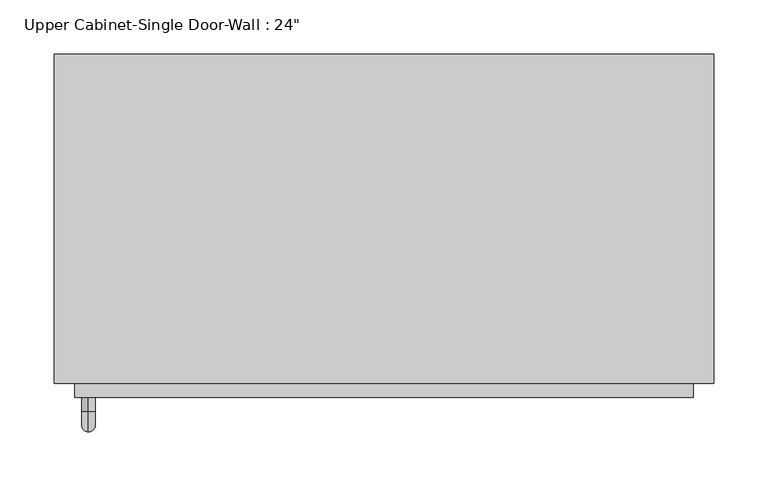
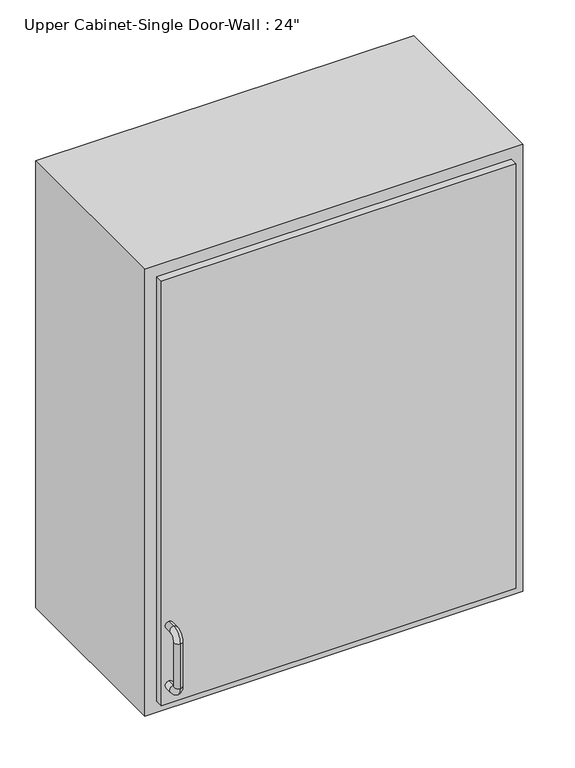
"""IFC4 building model written with IfcOpenShell, lengths in millimetres: furniture geometry."""

from ifc_helpers import new_model, si_unit, point, frame, origin, place, context, project, spatial, polyline, circle_curve, ellipse_curve, trimmed, outline, extrude, faceted_brep, source, transform, mapped, element, save
from ifc_brep_helpers import plane_surface, cylinder_surface, revolved_surface, advanced_brep


def furniture_9e712bc1(model_context):
    return source(origin(), model_context, "Body", "SolidModel", [
        faceted_brep([(-275.0288372, -96.8375, 2133.6), (334.5711628, -96.8375, 2133.6), (334.5711628, -96.8375, 1371.6), (-275.0288372, -96.8375, 1371.6), (-275.0288372, -401.6375, 2133.6), (-275.0288372, -401.6375, 1371.6), (334.5711628, -401.6375, 1371.6), (334.5711628, -401.6375, 2133.6), (-255.9788372, -401.6375, 2114.55), (315.5211628, -401.6375, 2114.55), (315.5211628, -401.6375, 1390.65), (-255.9788372, -401.6375, 1390.65), (-255.9788372, -115.8875, 2114.55), (315.5211628, -115.8875, 2114.55), (315.5211628, -115.8875, 1390.65), (-255.9788372, -115.8875, 1390.65)], [[[0, 1, 2, 3]], [[4, 5, 6, 7], [8, 9, 10, 11]], [[3, 5, 4, 0]], [[2, 6, 5, 3]], [[1, 7, 6, 2]], [[0, 4, 7, 1]], [[8, 12, 13, 9]], [[9, 13, 14, 10]], [[10, 14, 15, 11]], [[11, 15, 12, 8]], [[12, 15, 14, 13]]]),
        advanced_brep(
        [(-243.2788372, -414.3375, 1517.65), (-243.2788372, -414.3375, 1530.35), (-243.2788372, -427.0375, 1530.35), (-243.2788372, -427.0375, 1517.65), (-243.2788372, -446.0875, 1511.3), (-243.2788372, -433.3875, 1511.3), (-243.2788372, -446.0875, 1435.1), (-243.2788372, -433.3875, 1435.1), (-243.2788372, -427.0375, 1416.05), (-243.2788372, -427.0375, 1428.75), (-243.2788372, -414.3375, 1428.75), (-243.2788372, -414.3375, 1416.05)],
        [
            (0, 1, circle_curve(frame((-243.2788372, -414.3375, 1524.0), z_axis=(0.0, 1.0, 0.0), x_axis=(0.0, 0.0, 1.0)), 6.35)),
            (1, 0, circle_curve(frame((-243.2788372, -414.3375, 1524.0), z_axis=(0.0, 1.0, 0.0), x_axis=(0.0, 0.0, 1.0)), 6.35)),
            (1, 2),
            (2, 3, circle_curve(frame((-243.2788372, -427.0375, 1524.0), z_axis=(0.0, 1.0, 0.0), x_axis=(0.0, 0.0, 1.0)), 6.35)),
            (3, 0),
            (3, 2, circle_curve(frame((-243.2788372, -427.0375, 1524.0), z_axis=(0.0, 1.0, 0.0), x_axis=(0.0, 0.0, 1.0)), 6.35)),
            (4, 5, circle_curve(frame((-243.2788372, -439.7375, 1511.3), z_axis=(0.0, 0.0, 1.0), x_axis=(0.0, -1.0, 0.0)), 6.35)),
            (5, 3, circle_curve(frame((-243.2788372, -427.0375, 1511.3), z_axis=(-1.0, 0.0, 0.0), x_axis=(0.0, 0.0, 1.0)), 6.35)),
            (2, 4, circle_curve(frame((-243.2788372, -427.0375, 1511.3), z_axis=(1.0, 0.0, 0.0), x_axis=(0.0, 0.0, 1.0)), 19.05)),
            (5, 4, circle_curve(frame((-243.2788372, -439.7375, 1511.3), z_axis=(0.0, 0.0, 1.0), x_axis=(0.0, -1.0, 0.0)), 6.35)),
            (4, 6),
            (6, 7, circle_curve(frame((-243.2788372, -439.7375, 1435.1), z_axis=(0.0, 0.0, 1.0), x_axis=(0.0, -1.0, 0.0)), 6.35)),
            (7, 5),
            (7, 6, circle_curve(frame((-243.2788372, -439.7375, 1435.1), z_axis=(0.0, 0.0, 1.0), x_axis=(0.0, -1.0, 0.0)), 6.35)),
            (8, 9, circle_curve(frame((-243.2788372, -427.0375, 1422.4), z_axis=(0.0, -1.0, 0.0), x_axis=(0.0, 0.0, -1.0)), 6.35)),
            (9, 7, circle_curve(frame((-243.2788372, -427.0375, 1435.1), z_axis=(-1.0, 0.0, 0.0), x_axis=(0.0, -1.0, 0.0)), 6.35)),
            (6, 8, circle_curve(frame((-243.2788372, -427.0375, 1435.1), z_axis=(1.0, 0.0, 0.0), x_axis=(0.0, -1.0, 0.0)), 19.05)),
            (9, 8, circle_curve(frame((-243.2788372, -427.0375, 1422.4), z_axis=(0.0, -1.0, 0.0), x_axis=(0.0, 0.0, -1.0)), 6.35)),
            (10, 11, circle_curve(frame((-243.2788372, -414.3375, 1422.4), z_axis=(0.0, 1.0, 0.0), x_axis=(0.0, 0.0, -1.0)), 6.35)),
            (11, 10, circle_curve(frame((-243.2788372, -414.3375, 1422.4), z_axis=(0.0, 1.0, 0.0), x_axis=(0.0, 0.0, -1.0)), 6.35)),
            (8, 11),
            (10, 9),
        ],
        [
            plane_surface(frame((-249.6288372, -414.3375, 1524.0), z_axis=(0.0, 1.0, 0.0), x_axis=(0.0, 0.0, 1.0))),
            cylinder_surface(frame((-243.2788372, -414.3375, 1524.0), z_axis=(0.0, 1.0, 0.0), x_axis=(0.0, 0.0, 1.0)), 6.35),
            revolved_surface(trimmed(ellipse_curve(frame((-243.2788372, -427.0375, 1524.0), z_axis=(0.0, -1.0, 0.0), x_axis=(0.0, 0.0, 1.0)), 6.35, 6.35), [point((-243.2788372, -427.0375, 1517.65))], [point((-243.2788372, -427.0375, 1530.35))], True, "CARTESIAN"), (-243.2788372, -427.0375, 1511.3), (-1.0, 0.0, 0.0)),
            revolved_surface(trimmed(ellipse_curve(frame((-243.2788372, -427.0375, 1524.0), z_axis=(0.0, -1.0, 0.0), x_axis=(0.0, 0.0, 1.0)), 6.35, 6.35), [point((-243.2788372, -427.0375, 1530.35))], [point((-243.2788372, -427.0375, 1517.65))], True, "CARTESIAN"), (-243.2788372, -427.0375, 1511.3), (-1.0, 0.0, 0.0)),
            cylinder_surface(frame((-243.2788372, -439.7375, 1511.3), z_axis=(0.0, 0.0, 1.0), x_axis=(0.0, -1.0, 0.0)), 6.35),
            revolved_surface(trimmed(ellipse_curve(frame((-243.2788372, -439.7375, 1435.1), z_axis=(0.0, 0.0, -1.0), x_axis=(0.0, -1.0, 0.0)), 6.35, 6.35), [point((-243.2788372, -433.3875, 1435.1))], [point((-243.2788372, -446.0875, 1435.1))], True, "CARTESIAN"), (-243.2788372, -427.0375, 1435.1), (-1.0, 0.0, 0.0)),
            revolved_surface(trimmed(ellipse_curve(frame((-243.2788372, -439.7375, 1435.1), z_axis=(0.0, 0.0, -1.0), x_axis=(0.0, -1.0, 0.0)), 6.35, 6.35), [point((-243.2788372, -446.0875, 1435.1))], [point((-243.2788372, -433.3875, 1435.1))], True, "CARTESIAN"), (-243.2788372, -427.0375, 1435.1), (-1.0, 0.0, 0.0)),
            plane_surface(frame((-249.6288372, -414.3375, 1422.4), z_axis=(0.0, 1.0, 0.0), x_axis=(0.0, 0.0, -1.0))),
            cylinder_surface(frame((-243.2788372, -427.0375, 1422.4), z_axis=(0.0, -1.0, 0.0), x_axis=(0.0, 0.0, -1.0)), 6.35),
        ],
        [
            (0, [[1, 2]]),
            (1, [[3, 4, 5, -2]]),
            (1, [[-5, 6, -3, -1]]),
            (2, [[7, 8, -4, 9]]),
            (3, [[10, -9, -6, -8]]),
            (4, [[11, 12, 13, -7]]),
            (4, [[-13, 14, -11, -10]]),
            (5, [[15, 16, -12, 17]]),
            (6, [[18, -17, -14, -16]]),
            (7, [[19, 20]]),
            (8, [[21, -19, 22, -15]]),
            (8, [[-22, -20, -21, -18]]),
        ],
    ),
        extrude(outline(polyline([(-255.9788372, -414.3375), (-255.9788372, -382.5875), (315.5211628, -382.5875), (315.5211628, -414.3375), (-255.9788372, -414.3375)])), frame((0.0, 0.0, 1390.65), z_axis=(0.0, 0.0, 1.0), x_axis=(1.0, 0.0, 0.0)), (0.0, 0.0, 1.0), 723.9),
    ])


if __name__ == "__main__":
    model = new_model("IFC4")
    model_context = context("Model", 3, world=origin())
    ifc_project = project(units=[si_unit("LENGTHUNIT", "METRE", prefix="MILLI")], contexts=[model_context])
    site = spatial("IfcSite", under=ifc_project)
    building = spatial("IfcBuilding", under=site)
    placement = place(None, origin())
    furniture_shape = furniture_9e712bc1(model_context)
    element("IfcFurniture", 1, ObjectType="Upper Cabinet-Single Door-Wall : 24\"", at=placement, inside=building, context=model_context, shape_type="MappedRepresentation", body=[
        mapped(furniture_shape, transform((0.0, 0.0, 0.0), x_axis=(1.0, 0.0, 0.0), y_axis=(0.0, 1.0, 0.0), z_axis=(0.0, 0.0, 1.0))),
    ])
    save(model, "model.ifc")
